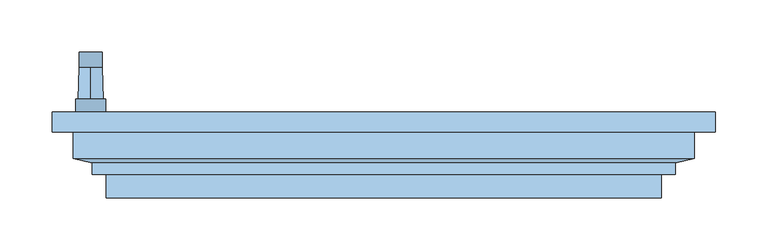
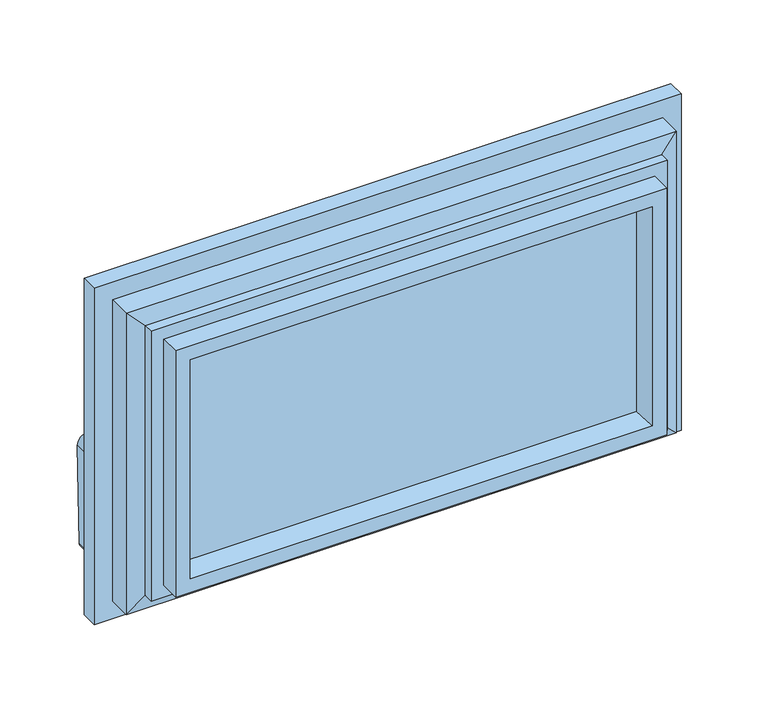
"""IFC4 building model written with IfcOpenShell, lengths in millimetres: window geometry."""

from ifc_helpers import new_model, si_unit, point, frame, frame_2d, origin, place, context, project, spatial, polyline, circle_curve, trimmed, segment, composite_curve, outline, extrude, faceted_brep, source, transform, mapped, element, save
from ifc_brep_helpers import plane_surface, cylinder_surface, revolved_surface, advanced_brep


def window_53d22fbe(model_context):
    return source(origin(), model_context, "Body", "SolidModel", [
        advanced_brep(
        [(-266.2, -19.2, 220.2), (-266.2, -19.2, 184.8), (-294.8, -19.2, 184.8), (-294.8, -19.2, 220.2), (-280.5, -19.2, 190.5), (-280.5, -19.2, 214.5), (-266.2, -32.0, 220.2), (-294.8, -32.0, 220.2), (-294.8, -32.0, 184.8), (-266.2, -32.0, 184.8), (-280.5, 10.5837804, 213.45), (-280.5, 10.5837804, 191.55)],
        [
            (0, 1),
            (1, 2, circle_curve(frame((-280.5, -19.2, 184.8), z_axis=(0.0, 1.0, 0.0), x_axis=(-1.0, 0.0, 0.0)), 14.3)),
            (2, 3),
            (3, 0, circle_curve(frame((-280.5, -19.2, 220.2), z_axis=(0.0, 1.0, 0.0), x_axis=(-1.0, 0.0, 0.0)), 14.3)),
            (4, 5, circle_curve(frame((-280.5, -19.2, 202.5), z_axis=(0.0, -1.0, 0.0), x_axis=(0.0, 0.0, 1.0)), 12.0)),
            (5, 4, circle_curve(frame((-280.5, -19.2, 202.5), z_axis=(0.0, -1.0, 0.0), x_axis=(0.0, 0.0, -1.0)), 12.0)),
            (6, 7, circle_curve(frame((-280.5, -32.0, 220.2), z_axis=(0.0, -1.0, 0.0), x_axis=(-1.0, 0.0, 0.0)), 14.3)),
            (7, 8),
            (8, 9, circle_curve(frame((-280.5, -32.0, 184.8), z_axis=(0.0, -1.0, 0.0), x_axis=(-1.0, 0.0, 0.0)), 14.3)),
            (9, 6),
            (0, 6),
            (9, 1),
            (8, 2),
            (7, 3),
            (10, 11, circle_curve(frame((-280.5, 10.5837804, 202.5), z_axis=(0.0, 1.0, 0.0), x_axis=(0.0, 0.0, 1.0)), 10.95)),
            (11, 10, circle_curve(frame((-280.5, 10.5837804, 202.5), z_axis=(0.0, 1.0, 0.0), x_axis=(0.0, 0.0, -1.0)), 10.95)),
            (10, 5),
            (4, 11),
        ],
        [
            plane_surface(frame((-266.2, -19.2, 220.2), z_axis=(0.0, 1.0, 0.0), x_axis=(0.0, 0.0, -1.0))),
            plane_surface(frame((-266.2, -32.0, 220.2), z_axis=(0.0, -1.0, 0.0), x_axis=(0.0, 0.0, 1.0))),
            plane_surface(frame((-266.2, -19.2, 220.2), z_axis=(1.0, 0.0, 0.0), x_axis=(0.0, -1.0, 0.0))),
            cylinder_surface(frame((-280.5, -32.0, 184.8), z_axis=(0.0, 1.0, 0.0), x_axis=(-1.0, 0.0, 0.0)), 14.3),
            plane_surface(frame((-294.8, -19.2, 184.8), z_axis=(-1.0, 0.0, 0.0), x_axis=(0.0, -1.0, 0.0))),
            cylinder_surface(frame((-280.5, -32.0, 220.2), z_axis=(0.0, 1.0, 0.0), x_axis=(-1.0, 0.0, 0.0)), 14.3),
            plane_surface(frame((-280.5, 10.5837804, 202.5), z_axis=(0.0, 1.0, 0.0), x_axis=(1.0, 0.0, 0.0))),
            revolved_surface(polyline([(-280.5, 10.583780400000023, 213.4500000002644), (-280.5, -19.19999999999999, 214.5)]), (-280.5, 321.1860618, 202.5), (0.0, -1.0, 0.0)),
            revolved_surface(polyline([(-280.5, 10.583780400000023, 191.5499999997356), (-280.5, -19.19999999999999, 190.5)]), (-280.5, 321.1860618, 202.5), (0.0, -1.0, 0.0)),
        ],
        [
            (0, [[1, 2, 3, 4], [5, 6]]),
            (1, [[7, 8, 9, 10]]),
            (2, [[-1, 11, -10, 12]]),
            (3, [[-2, -12, -9, 13]]),
            (4, [[-3, -13, -8, 14]]),
            (5, [[-4, -14, -7, -11]]),
            (6, [[15, 16]]),
            (7, [[-15, 17, -5, 18]]),
            (8, [[-16, -18, -6, -17]]),
        ],
    ),
        extrude(outline(composite_curve([segment(trimmed(circle_curve(frame_2d((89.5593058, -284.4580365)), 5.1186159), [point((89.5592661, -289.5766524))], [point((84.4406899, -284.4580365))], False, "CARTESIAN"), True, "CONTINUOUS"), segment(polyline([(84.4406899, -284.4580365), (84.4406899, -276.5419635)]), True, "CONTINUOUS"), segment(trimmed(circle_curve(frame_2d((89.5593058, -276.5419635)), 5.1186159), [point((84.4406899, -276.5419635))], [point((89.3895475, -271.4261634))], False, "CARTESIAN"), True, "CONTINUOUS"), segment(polyline([(89.3895475, -271.4261634), (202.5, -269.55)]), True, "CONTINUOUS"), segment(trimmed(circle_curve(frame_2d((202.5, -280.5)), 10.95), [point((202.5, -269.55))], [point((202.5, -291.45))], False, "CARTESIAN"), True, "CONTINUOUS"), segment(polyline([(202.5, -291.45), (89.5592661, -289.5766524)]), True, "CONTINUOUS")], self_intersect=False)), frame((0.0, 10.5837804, 0.0), z_axis=(0.0, 1.0, 0.0), x_axis=(0.0, 0.0, 1.0)), (0.0, 0.0, 1.0), 15.0),
        extrude(outline(polyline([(261.5, -53.0), (261.5, -57.0), (-261.5, -57.0), (-261.5, -53.0), (261.5, -53.0)])), frame((0.0, 0.0, 108.5), z_axis=(0.0, 0.0, 1.0), x_axis=(1.0, 0.0, 0.0)), (0.0, 0.0, 1.0), 273.0),
        extrude(outline(polyline([(261.5, -89.0), (261.5, -93.0), (-261.5, -93.0), (-261.5, -89.0), (261.5, -89.0)])), frame((0.0, 0.0, 108.5), z_axis=(0.0, 0.0, 1.0), x_axis=(1.0, 0.0, 0.0)), (0.0, 0.0, 1.0), 273.0),
        extrude(outline(polyline([(261.5, -71.0), (261.5, -75.0), (-261.5, -75.0), (-261.5, -71.0), (261.5, -71.0)])), frame((0.0, 0.0, 108.5), z_axis=(0.0, 0.0, 1.0), x_axis=(1.0, 0.0, 0.0)), (0.0, 0.0, 1.0), 273.0),
        faceted_brep([(297.5, -51.0, 417.5), (297.5, -76.45, 417.5), (297.5, -76.45, 72.5), (297.5, -51.0, 72.5), (317.5, -32.0, 437.5), (317.5, -51.0, 437.5), (317.5, -51.0, 52.5), (317.5, -32.0, 52.5), (245.3364776, -53.0, 365.3364776), (234.6599742, -32.0, 354.6599742), (234.6599742, -32.0, 135.3400258), (245.3364776, -53.0, 124.6635224), (261.5, -93.0, 381.5), (261.5, -53.0, 381.5), (261.5, -53.0, 108.5), (261.5, -93.0, 108.5), (250.1595631, -114.0, 370.1595631), (244.53263, -93.0, 364.53263), (244.53263, -93.0, 125.46737), (250.1595631, -114.0, 119.8404369), (265.9018435, -114.0, 385.9018435), (265.9018435, -114.0, 104.0981565), (265.9018435, -91.5, 104.0981565), (265.9018435, -91.5, 385.9018435), (279.3518435, -80.6, 399.3518435), (279.3518435, -91.5, 399.3518435), (279.3518435, -91.5, 90.6481565), (279.3518435, -80.6, 90.6481565), (-297.5, -76.45, 72.5), (-297.5, -51.0, 72.5), (-317.5, -51.0, 52.5), (-317.5, -32.0, 52.5), (-234.6599742, -32.0, 135.3400258), (-245.3364776, -53.0, 124.6635224), (-261.5, -53.0, 108.5), (-261.5, -93.0, 108.5), (-244.53263, -93.0, 125.46737), (-250.1595631, -114.0, 119.8404369), (-265.9018435, -114.0, 104.0981565), (-265.9018435, -91.5, 104.0981565), (-279.3518435, -91.5, 90.6481565), (-279.3518435, -80.6, 90.6481565), (-297.5, -76.45, 417.5), (-297.5, -51.0, 417.5), (-317.5, -51.0, 437.5), (-317.5, -32.0, 437.5), (-234.6599742, -32.0, 354.6599742), (-245.3364776, -53.0, 365.3364776), (-261.5, -53.0, 381.5), (-261.5, -93.0, 381.5), (-244.53263, -93.0, 364.53263), (-250.1595631, -114.0, 370.1595631), (-265.9018435, -114.0, 385.9018435), (-265.9018435, -91.5, 385.9018435), (-279.3518435, -91.5, 399.3518435), (-279.3518435, -80.6, 399.3518435)], [[[0, 1, 2, 3]], [[4, 5, 6, 7]], [[8, 9, 10, 11]], [[12, 13, 14, 15]], [[16, 17, 18, 19]], [[20, 21, 22, 23]], [[24, 25, 26, 27]], [[1, 24, 27, 2]], [[3, 2, 28, 29]], [[7, 6, 30, 31]], [[11, 10, 32, 33]], [[15, 14, 34, 35]], [[19, 18, 36, 37]], [[22, 21, 38, 39]], [[27, 26, 40, 41]], [[2, 27, 41, 28]], [[29, 28, 42, 43]], [[31, 30, 44, 45]], [[33, 32, 46, 47]], [[35, 34, 48, 49]], [[37, 36, 50, 51]], [[39, 38, 52, 53]], [[41, 40, 54, 55]], [[28, 41, 55, 42]], [[43, 42, 1, 0]], [[5, 44, 30, 6], [3, 29, 43, 0]], [[45, 44, 5, 4]], [[7, 31, 45, 4], [9, 46, 32, 10]], [[47, 46, 9, 8]], [[13, 48, 34, 14], [11, 33, 47, 8]], [[49, 48, 13, 12]], [[15, 35, 49, 12], [17, 50, 36, 18]], [[51, 50, 17, 16]], [[20, 52, 38, 21], [19, 37, 51, 16]], [[53, 52, 20, 23]], [[25, 54, 40, 26], [22, 39, 53, 23]], [[55, 54, 25, 24]], [[42, 55, 24, 1]]]),
    ])


if __name__ == "__main__":
    model = new_model("IFC4")
    model_context = context("Model", 3, world=origin())
    ifc_project = project(units=[si_unit("LENGTHUNIT", "METRE", prefix="MILLI")], contexts=[model_context])
    site = spatial("IfcSite", under=ifc_project)
    building = spatial("IfcBuilding", under=site)
    placement = place(None, origin())
    window_shape = window_53d22fbe(model_context)
    element("IfcWindow", 1, at=placement, inside=building, context=model_context, shape_type="MappedRepresentation", body=[
        mapped(window_shape, transform((0.0, 0.0, 0.0), x_axis=(1.0, 0.0, 0.0), y_axis=(0.0, 1.0, 0.0), z_axis=(0.0, 0.0, 1.0))),
    ])
    save(model, "model.ifc")
